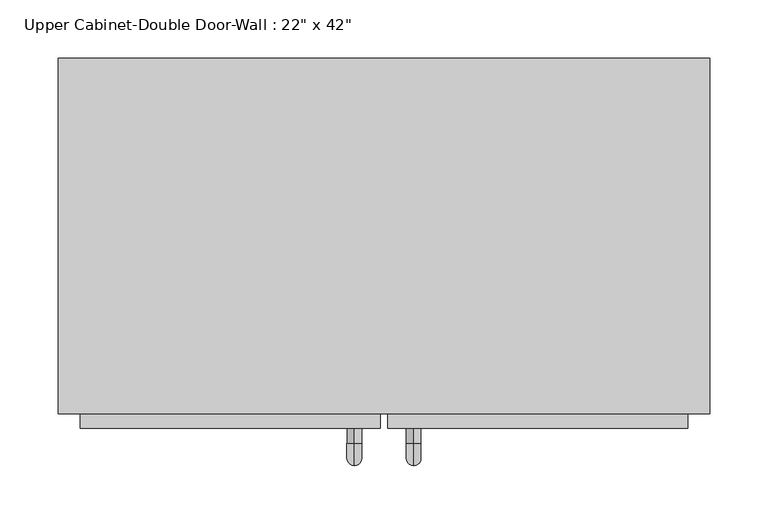
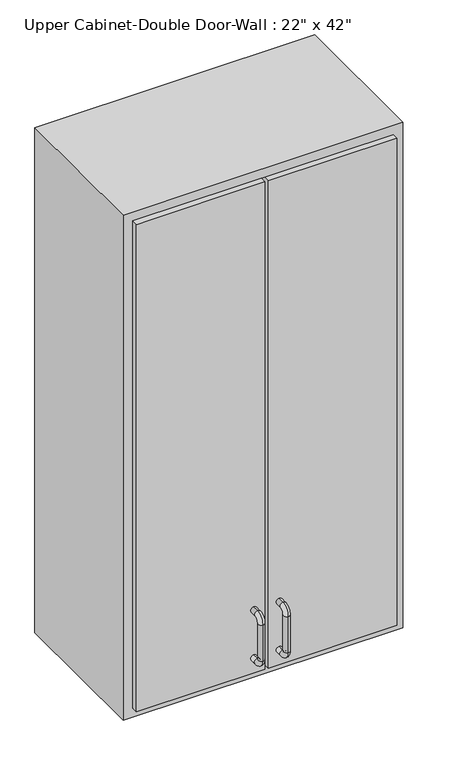
"""IFC4 building model written with IfcOpenShell, lengths in millimetres: furniture geometry."""

from ifc_helpers import new_model, si_unit, point, frame, origin, place, context, project, spatial, polyline, circle_curve, ellipse_curve, trimmed, outline, extrude, faceted_brep, source, transform, mapped, element, save
from ifc_brep_helpers import plane_surface, cylinder_surface, revolved_surface, advanced_brep


def furniture_03b26679(model_context):
    return source(origin(), model_context, "Body", "SolidModel", [
        faceted_brep([(-249.6288372, -61.9125, 2133.6), (309.1711628, -61.9125, 2133.6), (309.1711628, -61.9125, 1066.8), (-249.6288372, -61.9125, 1066.8), (-249.6288372, -366.7125, 2133.6), (-249.6288372, -366.7125, 1066.8), (309.1711628, -366.7125, 1066.8), (309.1711628, -366.7125, 2133.6), (-230.5788372, -366.7125, 2114.55), (290.1211628, -366.7125, 2114.55), (290.1211628, -366.7125, 1085.85), (-230.5788372, -366.7125, 1085.85), (-230.5788372, -80.9625, 2114.55), (290.1211628, -80.9625, 2114.55), (290.1211628, -80.9625, 1085.85), (-230.5788372, -80.9625, 1085.85)], [[[0, 1, 2, 3]], [[4, 5, 6, 7], [8, 9, 10, 11]], [[3, 5, 4, 0]], [[2, 6, 5, 3]], [[1, 7, 6, 2]], [[0, 4, 7, 1]], [[8, 12, 13, 9]], [[9, 13, 14, 10]], [[10, 14, 15, 11]], [[11, 15, 12, 8]], [[12, 15, 14, 13]]]),
        advanced_brep(
        [(55.1711628, -379.4125, 1212.85), (55.1711628, -379.4125, 1225.55), (55.1711628, -392.1125, 1225.55), (55.1711628, -392.1125, 1212.85), (55.1711628, -411.1625, 1206.5), (55.1711628, -398.4625, 1206.5), (55.1711628, -411.1625, 1130.3), (55.1711628, -398.4625, 1130.3), (55.1711628, -392.1125, 1111.25), (55.1711628, -392.1125, 1123.95), (55.1711628, -379.4125, 1123.95), (55.1711628, -379.4125, 1111.25)],
        [
            (0, 1, circle_curve(frame((55.1711628, -379.4125, 1219.2), z_axis=(0.0, 1.0, 0.0), x_axis=(0.0, 0.0, -1.0)), 6.35)),
            (1, 0, circle_curve(frame((55.1711628, -379.4125, 1219.2), z_axis=(0.0, 1.0, 0.0), x_axis=(0.0, 0.0, -1.0)), 6.35)),
            (1, 2),
            (2, 3, circle_curve(frame((55.1711628, -392.1125, 1219.2), z_axis=(0.0, 1.0, 0.0), x_axis=(0.0, 0.0, -1.0)), 6.35)),
            (3, 0),
            (3, 2, circle_curve(frame((55.1711628, -392.1125, 1219.2), z_axis=(0.0, 1.0, 0.0), x_axis=(0.0, 0.0, -1.0)), 6.35)),
            (4, 5, circle_curve(frame((55.1711628, -404.8125, 1206.5), z_axis=(0.0, 0.0, 1.0), x_axis=(0.0, 1.0, 0.0)), 6.35)),
            (5, 3, circle_curve(frame((55.1711628, -392.1125, 1206.5), z_axis=(-1.0, 0.0, 0.0), x_axis=(0.0, 0.0, 1.0)), 6.35)),
            (2, 4, circle_curve(frame((55.1711628, -392.1125, 1206.5), z_axis=(1.0, 0.0, 0.0), x_axis=(0.0, 0.0, 1.0)), 19.05)),
            (5, 4, circle_curve(frame((55.1711628, -404.8125, 1206.5), z_axis=(0.0, 0.0, 1.0), x_axis=(0.0, 1.0, 0.0)), 6.35)),
            (4, 6),
            (6, 7, circle_curve(frame((55.1711628, -404.8125, 1130.3), z_axis=(0.0, 0.0, 1.0), x_axis=(0.0, 1.0, 0.0)), 6.35)),
            (7, 5),
            (7, 6, circle_curve(frame((55.1711628, -404.8125, 1130.3), z_axis=(0.0, 0.0, 1.0), x_axis=(0.0, 1.0, 0.0)), 6.35)),
            (8, 9, circle_curve(frame((55.1711628, -392.1125, 1117.6), z_axis=(0.0, -1.0, 0.0), x_axis=(0.0, 0.0, 1.0)), 6.35)),
            (9, 7, circle_curve(frame((55.1711628, -392.1125, 1130.3), z_axis=(-1.0, 0.0, 0.0), x_axis=(0.0, -1.0, 0.0)), 6.35)),
            (6, 8, circle_curve(frame((55.1711628, -392.1125, 1130.3), z_axis=(1.0, 0.0, 0.0), x_axis=(0.0, -1.0, 0.0)), 19.05)),
            (9, 8, circle_curve(frame((55.1711628, -392.1125, 1117.6), z_axis=(0.0, -1.0, 0.0), x_axis=(0.0, 0.0, 1.0)), 6.35)),
            (10, 11, circle_curve(frame((55.1711628, -379.4125, 1117.6), z_axis=(0.0, 1.0, 0.0), x_axis=(0.0, 0.0, 1.0)), 6.35)),
            (11, 10, circle_curve(frame((55.1711628, -379.4125, 1117.6), z_axis=(0.0, 1.0, 0.0), x_axis=(0.0, 0.0, 1.0)), 6.35)),
            (8, 11),
            (10, 9),
        ],
        [
            plane_surface(frame((48.8211628, -379.4125, 1219.2), z_axis=(0.0, 1.0, 0.0), x_axis=(0.0, 0.0, 1.0))),
            cylinder_surface(frame((55.1711628, -379.4125, 1219.2), z_axis=(0.0, 1.0, 0.0), x_axis=(0.0, 0.0, -1.0)), 6.35),
            revolved_surface(trimmed(ellipse_curve(frame((55.1711628, -392.1125, 1219.2), z_axis=(0.0, -1.0, 0.0), x_axis=(0.0, 0.0, -1.0)), 6.35, 6.35), [point((55.1711628, -392.1125, 1212.85))], [point((55.1711628, -392.1125, 1225.55))], True, "CARTESIAN"), (55.1711628, -392.1125, 1206.5), (-1.0, 0.0, 0.0)),
            revolved_surface(trimmed(ellipse_curve(frame((55.1711628, -392.1125, 1219.2), z_axis=(0.0, -1.0, 0.0), x_axis=(0.0, 0.0, -1.0)), 6.35, 6.35), [point((55.1711628, -392.1125, 1225.55))], [point((55.1711628, -392.1125, 1212.85))], True, "CARTESIAN"), (55.1711628, -392.1125, 1206.5), (-1.0, 0.0, 0.0)),
            cylinder_surface(frame((55.1711628, -404.8125, 1206.5), z_axis=(0.0, 0.0, 1.0), x_axis=(0.0, 1.0, 0.0)), 6.35),
            revolved_surface(trimmed(ellipse_curve(frame((55.1711628, -404.8125, 1130.3), z_axis=(0.0, 0.0, -1.0), x_axis=(0.0, 1.0, 0.0)), 6.35, 6.35), [point((55.1711628, -398.4625, 1130.3))], [point((55.1711628, -411.1625, 1130.3))], True, "CARTESIAN"), (55.1711628, -392.1125, 1130.3), (-1.0, 0.0, 0.0)),
            revolved_surface(trimmed(ellipse_curve(frame((55.1711628, -404.8125, 1130.3), z_axis=(0.0, 0.0, -1.0), x_axis=(0.0, 1.0, 0.0)), 6.35, 6.35), [point((55.1711628, -411.1625, 1130.3))], [point((55.1711628, -398.4625, 1130.3))], True, "CARTESIAN"), (55.1711628, -392.1125, 1130.3), (-1.0, 0.0, 0.0)),
            plane_surface(frame((48.8211628, -379.4125, 1117.6), z_axis=(0.0, 1.0, 0.0), x_axis=(0.0, 0.0, -1.0))),
            cylinder_surface(frame((55.1711628, -392.1125, 1117.6), z_axis=(0.0, -1.0, 0.0), x_axis=(0.0, 0.0, 1.0)), 6.35),
        ],
        [
            (0, [[1, 2]]),
            (1, [[3, 4, 5, -2]]),
            (1, [[-5, 6, -3, -1]]),
            (2, [[7, 8, -4, 9]]),
            (3, [[10, -9, -6, -8]]),
            (4, [[11, 12, 13, -7]]),
            (4, [[-13, 14, -11, -10]]),
            (5, [[15, 16, -12, 17]]),
            (6, [[18, -17, -14, -16]]),
            (7, [[19, 20]]),
            (8, [[21, -19, 22, -15]]),
            (8, [[-22, -20, -21, -18]]),
        ],
    ),
        advanced_brep(
        [(4.3711628, -379.4125, 1212.85), (4.3711628, -379.4125, 1225.55), (4.3711628, -392.1125, 1225.55), (4.3711628, -392.1125, 1212.85), (4.3711628, -411.1625, 1206.5), (4.3711628, -398.4625, 1206.5), (4.3711628, -411.1625, 1130.3), (4.3711628, -398.4625, 1130.3), (4.3711628, -392.1125, 1111.25), (4.3711628, -392.1125, 1123.95), (4.3711628, -379.4125, 1123.95), (4.3711628, -379.4125, 1111.25)],
        [
            (0, 1, circle_curve(frame((4.3711628, -379.4125, 1219.2), z_axis=(0.0, 1.0, 0.0), x_axis=(0.0, 0.0, 1.0)), 6.35)),
            (1, 0, circle_curve(frame((4.3711628, -379.4125, 1219.2), z_axis=(0.0, 1.0, 0.0), x_axis=(0.0, 0.0, 1.0)), 6.35)),
            (1, 2),
            (2, 3, circle_curve(frame((4.3711628, -392.1125, 1219.2), z_axis=(0.0, 1.0, 0.0), x_axis=(0.0, 0.0, 1.0)), 6.35)),
            (3, 0),
            (3, 2, circle_curve(frame((4.3711628, -392.1125, 1219.2), z_axis=(0.0, 1.0, 0.0), x_axis=(0.0, 0.0, 1.0)), 6.35)),
            (4, 5, circle_curve(frame((4.3711628, -404.8125, 1206.5), z_axis=(0.0, 0.0, 1.0), x_axis=(0.0, -1.0, 0.0)), 6.35)),
            (5, 3, circle_curve(frame((4.3711628, -392.1125, 1206.5), z_axis=(-1.0, 0.0, 0.0), x_axis=(0.0, 0.0, 1.0)), 6.35)),
            (2, 4, circle_curve(frame((4.3711628, -392.1125, 1206.5), z_axis=(1.0, 0.0, 0.0), x_axis=(0.0, 0.0, 1.0)), 19.05)),
            (5, 4, circle_curve(frame((4.3711628, -404.8125, 1206.5), z_axis=(0.0, 0.0, 1.0), x_axis=(0.0, -1.0, 0.0)), 6.35)),
            (4, 6),
            (6, 7, circle_curve(frame((4.3711628, -404.8125, 1130.3), z_axis=(0.0, 0.0, 1.0), x_axis=(0.0, -1.0, 0.0)), 6.35)),
            (7, 5),
            (7, 6, circle_curve(frame((4.3711628, -404.8125, 1130.3), z_axis=(0.0, 0.0, 1.0), x_axis=(0.0, -1.0, 0.0)), 6.35)),
            (8, 9, circle_curve(frame((4.3711628, -392.1125, 1117.6), z_axis=(0.0, -1.0, 0.0), x_axis=(0.0, 0.0, -1.0)), 6.35)),
            (9, 7, circle_curve(frame((4.3711628, -392.1125, 1130.3), z_axis=(-1.0, 0.0, 0.0), x_axis=(0.0, -1.0, 0.0)), 6.35)),
            (6, 8, circle_curve(frame((4.3711628, -392.1125, 1130.3), z_axis=(1.0, 0.0, 0.0), x_axis=(0.0, -1.0, 0.0)), 19.05)),
            (9, 8, circle_curve(frame((4.3711628, -392.1125, 1117.6), z_axis=(0.0, -1.0, 0.0), x_axis=(0.0, 0.0, -1.0)), 6.35)),
            (10, 11, circle_curve(frame((4.3711628, -379.4125, 1117.6), z_axis=(0.0, 1.0, 0.0), x_axis=(0.0, 0.0, -1.0)), 6.35)),
            (11, 10, circle_curve(frame((4.3711628, -379.4125, 1117.6), z_axis=(0.0, 1.0, 0.0), x_axis=(0.0, 0.0, -1.0)), 6.35)),
            (8, 11),
            (10, 9),
        ],
        [
            plane_surface(frame((-1.9788372, -379.4125, 1219.2), z_axis=(0.0, 1.0, 0.0), x_axis=(0.0, 0.0, 1.0))),
            cylinder_surface(frame((4.3711628, -379.4125, 1219.2), z_axis=(0.0, 1.0, 0.0), x_axis=(0.0, 0.0, 1.0)), 6.35),
            revolved_surface(trimmed(ellipse_curve(frame((4.3711628, -392.1125, 1219.2), z_axis=(0.0, -1.0, 0.0), x_axis=(0.0, 0.0, 1.0)), 6.35, 6.35), [point((4.3711628, -392.1125, 1212.85))], [point((4.3711628, -392.1125, 1225.55))], True, "CARTESIAN"), (4.3711628, -392.1125, 1206.5), (-1.0, 0.0, 0.0)),
            revolved_surface(trimmed(ellipse_curve(frame((4.3711628, -392.1125, 1219.2), z_axis=(0.0, -1.0, 0.0), x_axis=(0.0, 0.0, 1.0)), 6.35, 6.35), [point((4.3711628, -392.1125, 1225.55))], [point((4.3711628, -392.1125, 1212.85))], True, "CARTESIAN"), (4.3711628, -392.1125, 1206.5), (-1.0, 0.0, 0.0)),
            cylinder_surface(frame((4.3711628, -404.8125, 1206.5), z_axis=(0.0, 0.0, 1.0), x_axis=(0.0, -1.0, 0.0)), 6.35),
            revolved_surface(trimmed(ellipse_curve(frame((4.3711628, -404.8125, 1130.3), z_axis=(0.0, 0.0, -1.0), x_axis=(0.0, -1.0, 0.0)), 6.35, 6.35), [point((4.3711628, -398.4625, 1130.3))], [point((4.3711628, -411.1625, 1130.3))], True, "CARTESIAN"), (4.3711628, -392.1125, 1130.3), (-1.0, 0.0, 0.0)),
            revolved_surface(trimmed(ellipse_curve(frame((4.3711628, -404.8125, 1130.3), z_axis=(0.0, 0.0, -1.0), x_axis=(0.0, -1.0, 0.0)), 6.35, 6.35), [point((4.3711628, -411.1625, 1130.3))], [point((4.3711628, -398.4625, 1130.3))], True, "CARTESIAN"), (4.3711628, -392.1125, 1130.3), (-1.0, 0.0, 0.0)),
            plane_surface(frame((-1.9788372, -379.4125, 1117.6), z_axis=(0.0, 1.0, 0.0), x_axis=(0.0, 0.0, -1.0))),
            cylinder_surface(frame((4.3711628, -392.1125, 1117.6), z_axis=(0.0, -1.0, 0.0), x_axis=(0.0, 0.0, -1.0)), 6.35),
        ],
        [
            (0, [[1, 2]]),
            (1, [[3, 4, 5, -2]]),
            (1, [[-5, 6, -3, -1]]),
            (2, [[7, 8, -4, 9]]),
            (3, [[10, -9, -6, -8]]),
            (4, [[11, 12, 13, -7]]),
            (4, [[-13, 14, -11, -10]]),
            (5, [[15, 16, -12, 17]]),
            (6, [[18, -17, -14, -16]]),
            (7, [[19, 20]]),
            (8, [[21, -19, 22, -15]]),
            (8, [[-22, -20, -21, -18]]),
        ],
    ),
        extrude(outline(polyline([(32.9461628, -379.4125), (32.9461628, -347.6625), (290.1211628, -347.6625), (290.1211628, -379.4125), (32.9461628, -379.4125)])), frame((0.0, 0.0, 1085.85), z_axis=(0.0, 0.0, 1.0), x_axis=(1.0, 0.0, 0.0)), (0.0, 0.0, 1.0), 1028.7),
        extrude(outline(polyline([(-230.5788372, -379.4125), (-230.5788372, -347.6625), (26.5961628, -347.6625), (26.5961628, -379.4125), (-230.5788372, -379.4125)])), frame((0.0, 0.0, 1085.85), z_axis=(0.0, 0.0, 1.0), x_axis=(1.0, 0.0, 0.0)), (0.0, 0.0, 1.0), 1028.7),
    ])


if __name__ == "__main__":
    model = new_model("IFC4")
    model_context = context("Model", 3, world=origin())
    ifc_project = project(units=[si_unit("LENGTHUNIT", "METRE", prefix="MILLI")], contexts=[model_context])
    site = spatial("IfcSite", under=ifc_project)
    building = spatial("IfcBuilding", under=site)
    placement = place(None, origin())
    furniture_shape = furniture_03b26679(model_context)
    element("IfcFurniture", 1, ObjectType="Upper Cabinet-Double Door-Wall : 22\" x 42\"", at=placement, inside=building, context=model_context, shape_type="MappedRepresentation", body=[
        mapped(furniture_shape, transform((0.0, 0.0, 0.0), x_axis=(1.0, 0.0, 0.0), y_axis=(0.0, 1.0, 0.0), z_axis=(0.0, 0.0, 1.0))),
    ])
    save(model, "model.ifc")
